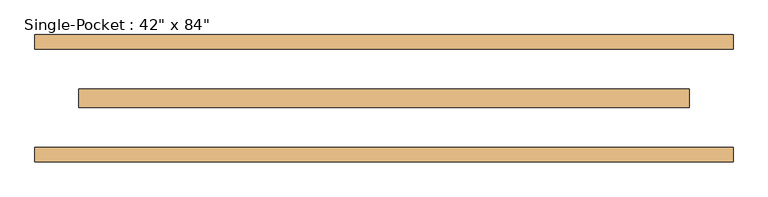
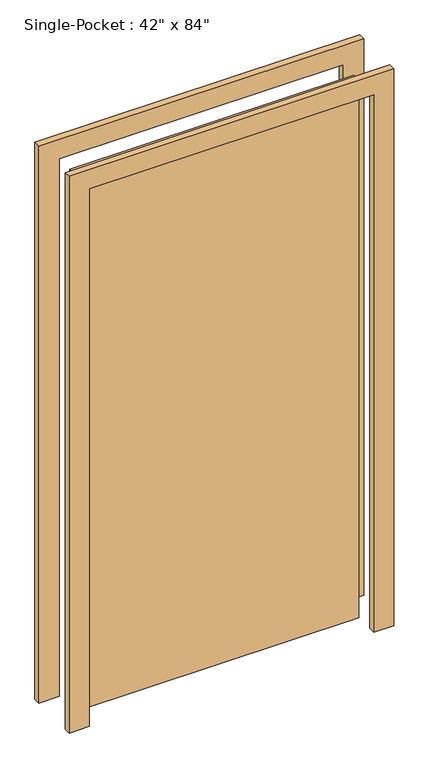
"""IFC4 building model written with IfcOpenShell, lengths in millimetres: door geometry."""

import ifcopenshell
import ifcopenshell.guid

model = None  # the IFC model being written
_history = None  # IfcOwnerHistory: only IFC2X3 demands one
_inside = {}  # id of a spatial element -> (the spatial element, [elements in it])
_under = {}  # id of a project, library or spatial element -> (it, [spatial elements below it])
_declared = {}  # id of a project -> (the project, [libraries it declares])
_typed = {}  # id of a type object -> (the type object, [elements of that type])
_made_of = {}  # id of a material, layer set ... -> (it, [elements and type objects made of it])


def new_model(schema):
    """Start an empty IFC model of exactly this schema.

    Asked for "IFC4X3", IfcOpenShell would pick the latest addendum, in which some entities
    have other attributes; the version numbers below select the first issue.
    IFC2X3 requires an IfcOwnerHistory on every rooted entity: one is made here for all.
    """
    global model, _history
    if schema == "IFC4X3":
        model = ifcopenshell.file(schema_version=(4, 3, 0, 0))
    else:
        model = ifcopenshell.file(schema=schema)
    _inside.clear()
    _under.clear()
    _declared.clear()
    _typed.clear()
    _made_of.clear()
    _history = None
    if model.schema == "IFC2X3":
        org = make("IfcOrganization", Name="unknown")
        user = make(
            "IfcPersonAndOrganization",
            ThePerson=make("IfcPerson", FamilyName="unknown"),
            TheOrganization=org,
        )
        app = make(
            "IfcApplication",
            ApplicationDeveloper=org,
            Version="unknown",
            ApplicationFullName="unknown",
            ApplicationIdentifier="unknown",
        )
        _history = make(
            "IfcOwnerHistory",
            OwningUser=user,
            OwningApplication=app,
            ChangeAction="ADDED",
            CreationDate=0,
        )
    return model


def make(cls, **values):
    """One entity of the class cls with the attributes given. An attribute that is None is left unset."""
    return model.create_entity(
        cls, **{name: value for name, value in values.items() if value is not None}
    )


def rooted(cls, **values):
    """An entity with a GlobalId (a new one), such as an element, a storey or a relation."""
    return make(cls, GlobalId=ifcopenshell.guid.new(), OwnerHistory=_history, **values)


def si_unit(unit_type, name, prefix=None):
    """IfcSIUnit, for example si_unit("LENGTHUNIT", "METRE", prefix="MILLI")."""
    return make("IfcSIUnit", UnitType=unit_type, Prefix=prefix, Name=name)


def assignment(units):
    """IfcUnitAssignment: the units of a project."""
    return None if units is None else make("IfcUnitAssignment", Units=units)


def point(xyz):
    """IfcCartesianPoint."""
    return None if xyz is None else make("IfcCartesianPoint", Coordinates=xyz)


def direction(xyz):
    """IfcDirection."""
    return None if xyz is None else make("IfcDirection", DirectionRatios=xyz)


def frame(location, z_axis=None, x_axis=None):
    """IfcAxis2Placement3D, a coordinate frame: its origin and axes. An axis left out is left unset."""
    return make(
        "IfcAxis2Placement3D",
        Location=point(location),
        Axis=direction(z_axis),
        RefDirection=direction(x_axis),
    )


def origin():
    """The frame at (0, 0, 0) with its axes left unset."""
    return frame((0.0, 0.0, 0.0))


def origin_with_axes():
    """The frame at (0, 0, 0) with the z axis (0, 0, 1) and the x axis (1, 0, 0) written out."""
    return frame((0.0, 0.0, 0.0), z_axis=(0.0, 0.0, 1.0), x_axis=(1.0, 0.0, 0.0))


def place(relative_to, where):
    """IfcLocalPlacement: puts the frame where relative to a parent placement (None: the world)."""
    return make(
        "IfcLocalPlacement", PlacementRelTo=relative_to, RelativePlacement=where
    )


def context(
    kind, dimensions, precision=None, world=None, true_north=None, identifier=None
):
    """IfcGeometricRepresentationContext, for example the 3D "Model" context."""
    return make(
        "IfcGeometricRepresentationContext",
        ContextIdentifier=identifier,
        ContextType=kind,
        CoordinateSpaceDimension=dimensions,
        Precision=precision,
        WorldCoordinateSystem=world,
        TrueNorth=true_north,
    )


def project(units=None, contexts=None):
    """IfcProject with its units and contexts."""
    return rooted(
        "IfcProject",
        Name="project",
        RepresentationContexts=contexts,
        UnitsInContext=assignment(units),
    )


def spatial(cls, under=None, at=None, **own):
    """A site, building, storey or space (cls), placed at a placement, below another one or the project."""
    s = rooted(cls, ObjectPlacement=at, **own)
    if under is not None:
        _under.setdefault(under.id(), (under, []))[1].append(s)
    return s


def polyline(points):
    """IfcPolyline through the points."""
    return make("IfcPolyline", Points=[point(p) for p in points])


def outline(outer, holes=None, kind="AREA"):
    """IfcArbitraryClosedProfileDef: a profile drawn as a closed curve; with holes, ...WithVoids."""
    if holes is None:
        return make("IfcArbitraryClosedProfileDef", ProfileType=kind, OuterCurve=outer)
    return make(
        "IfcArbitraryProfileDefWithVoids",
        ProfileType=kind,
        OuterCurve=outer,
        InnerCurves=holes,
    )


def extrude(swept, where, along, depth):
    """IfcExtrudedAreaSolid: the profile swept, set in the frame where, extruded along a direction by depth."""
    return make(
        "IfcExtrudedAreaSolid",
        SweptArea=swept,
        Position=where,
        ExtrudedDirection=direction(along),
        Depth=depth,
    )


def shape(context_of_items, identifier, shape_type, items):
    """IfcShapeRepresentation: the items that make up one representation, for example the "Body"."""
    return make(
        "IfcShapeRepresentation",
        ContextOfItems=context_of_items,
        RepresentationIdentifier=identifier,
        RepresentationType=shape_type,
        Items=items,
    )


def source(mapping_origin, context_of_items, identifier, shape_type, items):
    """IfcRepresentationMap: a shape defined once, which mapped items show again and again."""
    return make(
        "IfcRepresentationMap",
        MappingOrigin=mapping_origin,
        MappedRepresentation=shape(context_of_items, identifier, shape_type, items),
    )


def transform(
    local_origin,
    x_axis=None,
    y_axis=None,
    z_axis=None,
    scale=None,
    scale2=None,
    scale3=None,
    uniform=True,
):
    """IfcCartesianTransformationOperator3D, or its non-uniform kind. x_axis, y_axis, z_axis: its Axis1, 2, 3."""
    if uniform:
        return make(
            "IfcCartesianTransformationOperator3D",
            Axis1=direction(x_axis),
            Axis2=direction(y_axis),
            LocalOrigin=point(local_origin),
            Scale=scale,
            Axis3=direction(z_axis),
        )
    return make(
        "IfcCartesianTransformationOperator3DnonUniform",
        Axis1=direction(x_axis),
        Axis2=direction(y_axis),
        LocalOrigin=point(local_origin),
        Scale=scale,
        Axis3=direction(z_axis),
        Scale2=scale2,
        Scale3=scale3,
    )


def mapped(mapping_source, mapping_target):
    """IfcMappedItem: shows the shape of a source again, moved by a transform."""
    return make(
        "IfcMappedItem", MappingSource=mapping_source, MappingTarget=mapping_target
    )


def made_of(thing, what):
    """Note that an element or type object is made of a material, layer set ...; save() writes the relation."""
    if what is not None:
        _made_of.setdefault(what.id(), (what, []))[1].append(thing)
    return thing


def element(
    cls,
    number,
    at=None,
    inside=None,
    cuts=None,
    type_object=None,
    material=None,
    context=None,
    identifier="Body",
    shape_type=None,
    held_by="IfcProductDefinitionShape",
    body=None,
    shapes=None,
    **own,
):
    """One element of the class cls, such as IfcWall. Its Tag is "e" and its number.

    at: its placement. inside: the storey or other place that contains it. cuts: it is an
    opening in that element (IfcRelVoidsElement). A single representation is given by context,
    identifier, shape_type and body (its items); several are given by shapes. held_by: the class
    of the entity that holds the representations. save() writes the other relations.
    """
    e = rooted(cls, Tag="e%d" % number, ObjectPlacement=at, **own)
    if body is not None:
        shapes = [shape(context, identifier, shape_type, body)]
    if shapes is not None:
        e.Representation = make(held_by, Representations=shapes)
    if inside is not None:
        _inside.setdefault(inside.id(), (inside, []))[1].append(e)
    if cuts is not None:
        rooted(
            "IfcRelVoidsElement", RelatingBuildingElement=cuts, RelatedOpeningElement=e
        )
    if type_object is not None:
        _typed.setdefault(type_object.id(), (type_object, []))[1].append(e)
    return made_of(e, material)


def aggregate(whole, parts):
    """IfcRelAggregates: a whole, such as a stair, and the parts it consists of."""
    return rooted("IfcRelAggregates", RelatingObject=whole, RelatedObjects=parts)


def save(model, path):
    """Write the relations noted so far, then the file.

    IfcRelAggregates (storeys below a building ...), IfcRelContainedInSpatialStructure (elements
    in a storey), IfcRelDefinesByType, IfcRelAssociatesMaterial and IfcRelDeclares: one each for
    every whole, place, type object, material and project.
    """
    for whole, parts in _under.values():
        aggregate(whole, parts)
    for where, things in _inside.values():
        rooted(
            "IfcRelContainedInSpatialStructure",
            RelatedElements=things,
            RelatingStructure=where,
        )
    for kind, things in _typed.values():
        rooted("IfcRelDefinesByType", RelatedObjects=things, RelatingType=kind)
    for what, things in _made_of.values():
        rooted("IfcRelAssociatesMaterial", RelatedObjects=things, RelatingMaterial=what)
    for by, libraries in _declared.values():
        rooted("IfcRelDeclares", RelatingContext=by, RelatedDefinitions=libraries)
    model.write(path)


def door_b402ab94(model_context):
    return source(origin(), model_context, "Body", "SweptSolid", [
        extrude(outline(polyline([(-533.4, 15.875), (533.4, 15.875), (533.4, -15.875), (-533.4, -15.875), (-533.4, 15.875)])), origin_with_axes(), (0.0, 0.0, 1.0), 2133.6),
        extrude(outline(polyline([(2133.6, -533.4), (2133.6, 533.4), (0.0, 533.4), (0.0, 609.6), (2209.8, 609.6), (2209.8, -609.6), (0.0, -609.6), (0.0, -533.4), (2133.6, -533.4)])), frame((0.0, -111.125, 0.0), z_axis=(0.0, 1.0, 0.0), x_axis=(0.0, 0.0, 1.0)), (0.0, 0.0, 1.0), 25.4),
        extrude(outline(polyline([(2133.6, -533.4), (2133.6, 533.4), (0.0, 533.4), (0.0, 609.6), (2209.8, 609.6), (2209.8, -609.6), (0.0, -609.6), (0.0, -533.4), (2133.6, -533.4)])), frame((0.0, 85.725, 0.0), z_axis=(0.0, 1.0, 0.0), x_axis=(0.0, 0.0, 1.0)), (0.0, 0.0, 1.0), 25.4),
    ])


if __name__ == "__main__":
    model = new_model("IFC4")
    model_context = context("Model", 3, world=origin())
    ifc_project = project(units=[si_unit("LENGTHUNIT", "METRE", prefix="MILLI")], contexts=[model_context])
    site = spatial("IfcSite", under=ifc_project)
    building = spatial("IfcBuilding", under=site)
    placement = place(None, origin())
    door_shape = door_b402ab94(model_context)
    element("IfcDoor", 1, ObjectType="Single-Pocket : 42\" x 84\"", at=placement, inside=building, context=model_context, shape_type="MappedRepresentation", body=[
        mapped(door_shape, transform((0.0, 0.0, 0.0), x_axis=(1.0, 0.0, 0.0), y_axis=(0.0, 1.0, 0.0), z_axis=(0.0, 0.0, 1.0))),
    ])
    save(model, "model.ifc")
